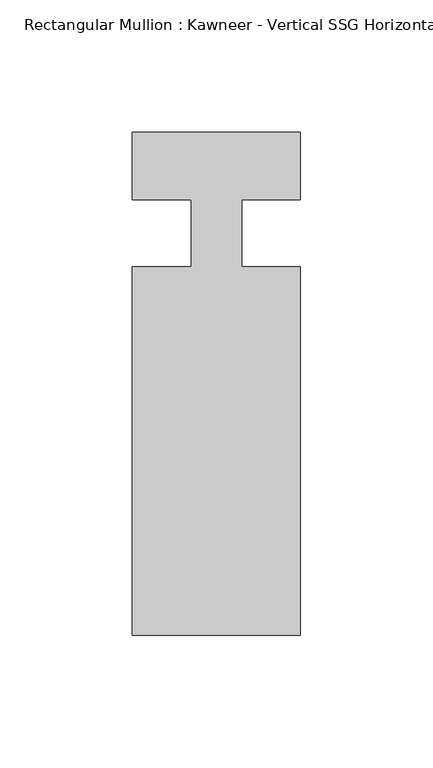
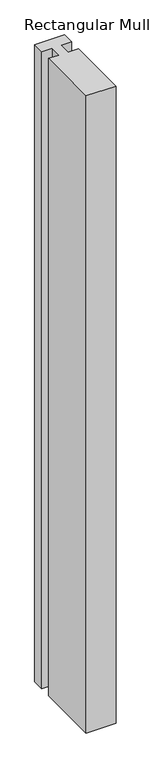
"""IFC4 building model written with IfcOpenShell, lengths in millimetres: member geometry."""

from ifc_helpers import new_model, si_unit, frame, origin, place, context, project, spatial, polyline, outline, extrude, source, transform, mapped, element, save


def member_c2c0f265(model_context):
    return source(origin(), model_context, "Body", "SweptSolid", [
        extrude(outline(polyline([(-9.525, 12.7), (-31.75, 12.7), (-31.75, 38.1), (31.75, 38.1), (31.75, 12.7), (9.5251132, 12.7), (9.5251132, -12.7), (31.75, -12.7), (31.75, -151.892), (-31.75, -151.892), (-31.75, -12.7), (-9.525, -12.7), (-9.525, 12.7)])), frame((0.0, 0.0, -1433.8081727), z_axis=(0.0, 0.0, 1.0), x_axis=(1.0, 0.0, 0.0)), (0.0, 0.0, 1.0), 1433.8081727),
    ])


if __name__ == "__main__":
    model = new_model("IFC4")
    model_context = context("Model", 3, world=origin())
    ifc_project = project(units=[si_unit("LENGTHUNIT", "METRE", prefix="MILLI")], contexts=[model_context])
    site = spatial("IfcSite", under=ifc_project)
    building = spatial("IfcBuilding", under=site)
    placement = place(None, origin())
    member_shape = member_c2c0f265(model_context)
    element("IfcMember", 1, ObjectType="Rectangular Mullion : Kawneer - Vertical SSG Horizontal Mullion - 7 1/2\"", at=placement, inside=building, context=model_context, shape_type="MappedRepresentation", body=[
        mapped(member_shape, transform((0.0, 0.0, 0.0), x_axis=(1.0, 0.0, 0.0), y_axis=(0.0, 1.0, 0.0), z_axis=(0.0, 0.0, 1.0))),
    ])
    save(model, "model.ifc")
